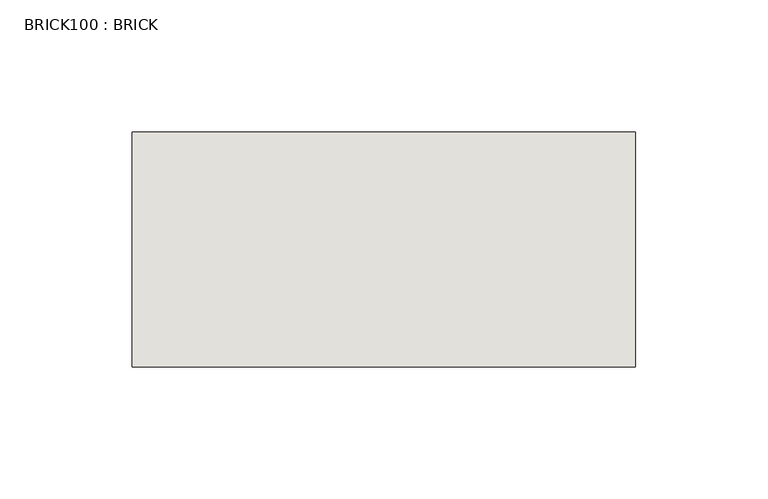
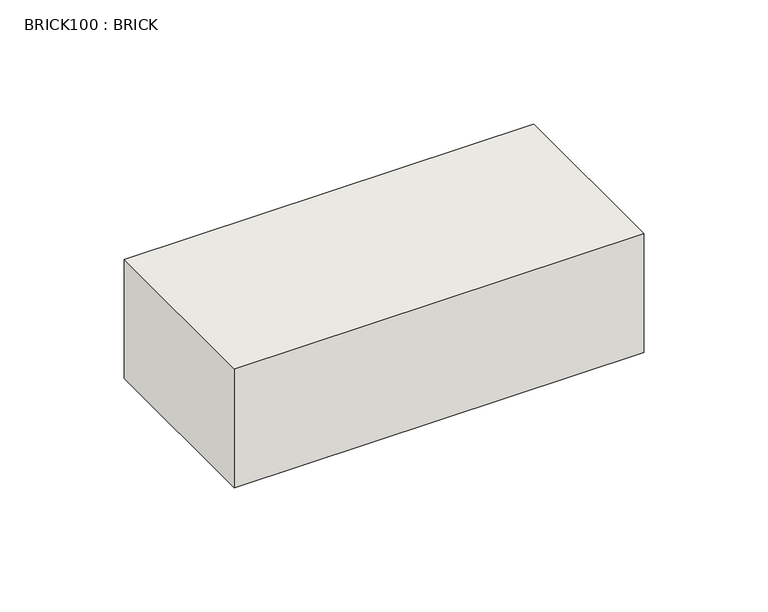
"""IFC4 building model written with IfcOpenShell, lengths in millimetres: wall geometry, BRICK100 : BRICK."""

from ifc_helpers import new_model, si_unit, frame, origin, place, context, project, spatial, polyline, outline, extrude, source, transform, mapped, element, save


def brick100_brick_5470167e(model_context):
    return source(origin(), model_context, "Body", "SweptSolid", [
        extrude(outline(polyline([(1138.5272594, 2586.2274125), (1329.0272594, 2586.2274125), (1329.0272594, 2497.3274125), (1138.5272594, 2497.3274125), (1138.5272594, 2586.2274125)])), frame((0.0, 0.0, 4.1671875), z_axis=(0.0, 0.0, 1.0), x_axis=(1.0, 0.0, 0.0)), (0.0, 0.0, 1.0), 58.4398438),
    ])


if __name__ == "__main__":
    model = new_model("IFC4")
    model_context = context("Model", 3, world=origin())
    ifc_project = project(units=[si_unit("LENGTHUNIT", "METRE", prefix="MILLI")], contexts=[model_context])
    site = spatial("IfcSite", under=ifc_project)
    building = spatial("IfcBuilding", under=site)
    placement = place(None, origin())
    brick100_brick_shape = brick100_brick_5470167e(model_context)
    element("IfcWall", 1, ObjectType="BRICK100 : BRICK", at=placement, inside=building, context=model_context, shape_type="MappedRepresentation", body=[
        mapped(brick100_brick_shape, transform((0.0, 0.0, 0.0), x_axis=(1.0, 0.0, 0.0), y_axis=(0.0, 1.0, 0.0), z_axis=(0.0, 0.0, 1.0))),
    ])
    save(model, "model.ifc")
